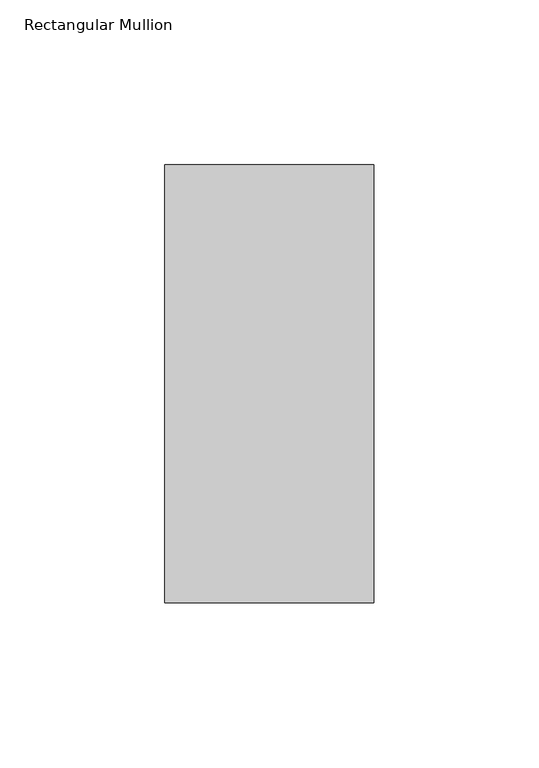
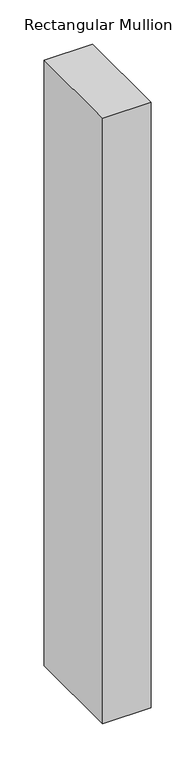
"""IFC4 building model written with IfcOpenShell, lengths in millimetres: member geometry, Rectangular Mullion."""

from ifc_helpers import new_model, si_unit, frame, origin, place, context, project, spatial, polyline, outline, extrude, source, transform, mapped, element, save


def rectangular_mullion_0959f298(model_context):
    return source(origin(), model_context, "Body", "SweptSolid", [
        extrude(outline(polyline([(31.7499998, 184.2396938), (31.7499998, 51.2960937), (-31.7500002, 51.2960937), (-31.7500002, 184.2396938), (31.7499998, 184.2396938)])), frame((0.0, 0.0, -838.1999996), z_axis=(0.0, 0.0, 1.0), x_axis=(1.0, 0.0, 0.0)), (0.0, 0.0, 1.0), 838.1999996),
    ])


if __name__ == "__main__":
    model = new_model("IFC4")
    model_context = context("Model", 3, world=origin())
    ifc_project = project(units=[si_unit("LENGTHUNIT", "METRE", prefix="MILLI")], contexts=[model_context])
    site = spatial("IfcSite", under=ifc_project)
    building = spatial("IfcBuilding", under=site)
    placement = place(None, origin())
    rectangular_mullion_shape = rectangular_mullion_0959f298(model_context)
    element("IfcMember", 1, ObjectType="Rectangular Mullion", at=placement, inside=building, context=model_context, shape_type="MappedRepresentation", body=[
        mapped(rectangular_mullion_shape, transform((0.0, 0.0, 0.0), x_axis=(1.0, 0.0, 0.0), y_axis=(0.0, 1.0, 0.0), z_axis=(0.0, 0.0, 1.0))),
    ])
    save(model, "model.ifc")
